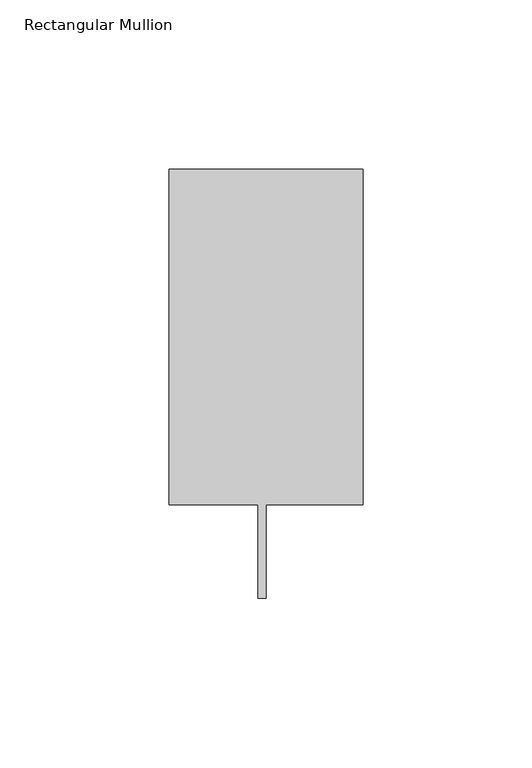
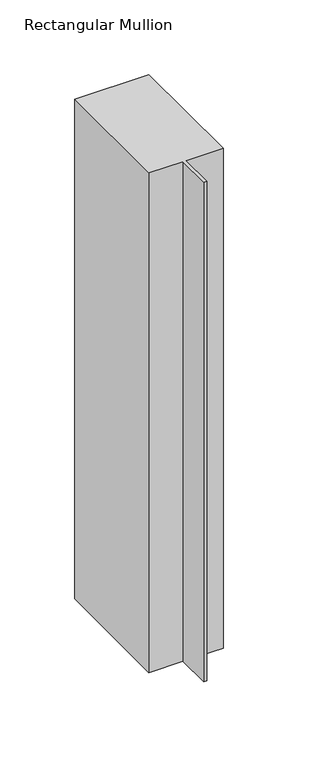
"""IFC4 building model written with IfcOpenShell, lengths in millimetres: member geometry, Rectangular Mullion."""

from ifc_helpers import new_model, si_unit, frame, origin, place, context, project, spatial, polyline, outline, extrude, source, transform, mapped, element, save


def rectangular_mullion_63cb623e(model_context):
    return source(origin(), model_context, "Body", "SweptSolid", [
        extrude(outline(polyline([(0.0, 138.3252808), (0.0, 39.3898437), (-28.575, 39.3898437), (-28.575, 11.7038437), (-30.9626, 11.7038437), (-30.9626, 39.3898437), (-57.15, 39.3898438), (-57.15, 138.3252808), (0.0, 138.3252808)])), frame((0.0, 0.0, -407.3842453), z_axis=(0.0, 0.0, 1.0), x_axis=(1.0, 0.0, 0.0)), (0.0, 0.0, 1.0), 407.3842453),
    ])


if __name__ == "__main__":
    model = new_model("IFC4")
    model_context = context("Model", 3, world=origin())
    ifc_project = project(units=[si_unit("LENGTHUNIT", "METRE", prefix="MILLI")], contexts=[model_context])
    site = spatial("IfcSite", under=ifc_project)
    building = spatial("IfcBuilding", under=site)
    placement = place(None, origin())
    rectangular_mullion_shape = rectangular_mullion_63cb623e(model_context)
    element("IfcMember", 1, ObjectType="Rectangular Mullion", at=placement, inside=building, context=model_context, shape_type="MappedRepresentation", body=[
        mapped(rectangular_mullion_shape, transform((0.0, 0.0, 0.0), x_axis=(1.0, 0.0, 0.0), y_axis=(0.0, 1.0, 0.0), z_axis=(0.0, 0.0, 1.0))),
    ])
    save(model, "model.ifc")
